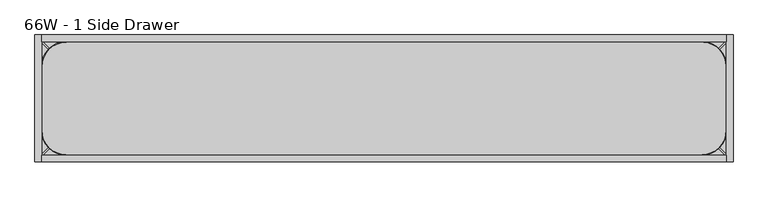
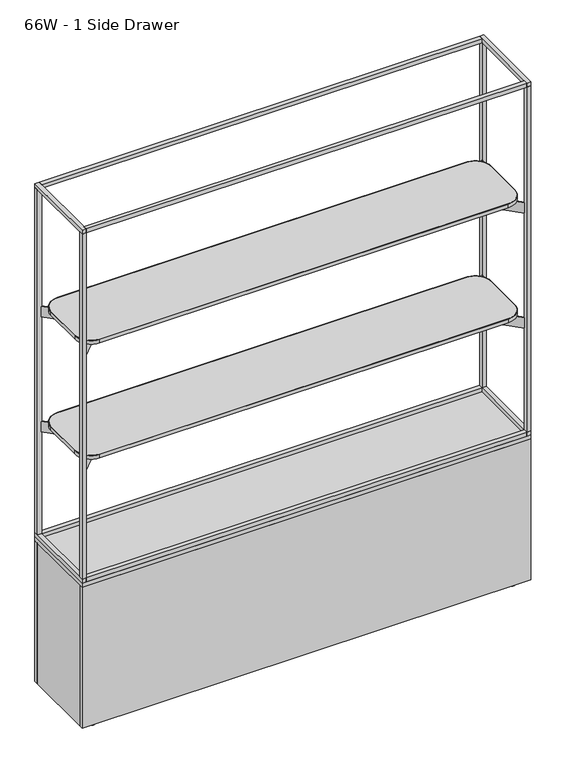
"""IFC4 building model written with IfcOpenShell, lengths in millimetres: furniture geometry, 66W - 1 Side Drawer."""

from ifc_helpers import new_model, si_unit, point, frame, frame_2d, origin, place, context, project, spatial, polyline, circle_curve, trimmed, segment, composite_curve, outline, extrude, source, transform, mapped, element, save
from ifc_brep_helpers import plane_surface, cylinder_surface, revolved_surface, advanced_brep


def furniture_66w_1_side_drawer_2622d0b4(model_context):
    return source(origin(), model_context, "Body", "SolidModel", [
        extrude(outline(composite_curve([segment(polyline([(15.8814378, 75.8242865), (15.8814378, 228.8955507)]), True, "CONTINUOUS"), segment(trimmed(circle_curve(frame_2d((75.9054892, 228.8955507)), 60.0240513), [point((15.8814378, 228.8955507))], [point((75.9054892, 288.9196021))], False, "CARTESIAN"), True, "CONTINUOUS"), segment(polyline([(75.9054892, 288.9196021), (1605.6138969, 288.9196021)]), True, "CONTINUOUS"), segment(trimmed(circle_curve(frame_2d((1600.5745622, 229.1877994)), 59.944), [point((1605.6138969, 288.9196021))], [point((1660.5185622, 229.1877994))], False, "CARTESIAN"), True, "CONTINUOUS"), segment(polyline([(1660.5185622, 229.1877994), (1660.5185622, 75.8242865)]), True, "CONTINUOUS"), segment(trimmed(circle_curve(frame_2d((1600.5745622, 75.8242865)), 59.944), [point((1660.5185622, 75.8242865))], [point((1600.5745622, 15.8802865))], False, "CARTESIAN"), True, "CONTINUOUS"), segment(polyline([(1600.5745622, 15.8802865), (75.8254378, 15.8802865)]), True, "CONTINUOUS"), segment(trimmed(circle_curve(frame_2d((75.8254378, 75.8242865)), 59.944), [point((75.8254378, 15.8802865))], [point((15.8814378, 75.8242865))], False, "CARTESIAN"), True, "CONTINUOUS")], self_intersect=False), holes=[composite_curve([segment(trimmed(circle_curve(frame_2d((1600.6050916, 75.8011918)), 58.42), [point((1600.6050916, 17.3811918))], [point((1659.0250916, 75.8011918))], True, "CARTESIAN"), True, "CONTINUOUS"), segment(polyline([(1659.0250916, 75.8011918), (1659.0250916, 229.1877994)]), True, "CONTINUOUS"), segment(trimmed(circle_curve(frame_2d((1600.6050916, 229.1877994)), 58.42), [point((1659.0250916, 229.1877994))], [point((1605.2701856, 287.4212374))], True, "CARTESIAN"), True, "CONTINUOUS"), segment(polyline([(1605.2701856, 287.4212374), (75.8827762, 287.4212374)]), True, "CONTINUOUS"), segment(trimmed(circle_curve(frame_2d((75.8750567, 228.9211866)), 58.5000513), [point((75.8827762, 287.4212374))], [point((17.3750053, 228.9211866))], True, "CARTESIAN"), True, "CONTINUOUS"), segment(polyline([(17.3750053, 228.9211866), (17.3750053, 75.8011918)]), True, "CONTINUOUS"), segment(trimmed(circle_curve(frame_2d((75.7950053, 75.8011918)), 58.42), [point((17.3750053, 75.8011918))], [point((75.7950053, 17.3811918))], True, "CARTESIAN"), True, "CONTINUOUS"), segment(polyline([(75.7950053, 17.3811918), (1600.6050916, 17.3811918)]), True, "CONTINUOUS")], self_intersect=False)]), frame((0.0, 0.0, 1504.6380035), z_axis=(0.0, 0.0, 1.0), x_axis=(1.0, 0.0, 0.0)), (0.0, 0.0, 1.0), 13.8177612),
        extrude(outline(polyline([(161.9665934, 1498.3383551), (161.9665934, 1496.0244297), (160.8082501, 1494.8660863), (144.4220029, 1494.8660863), (143.317536, 1495.9705532), (143.317536, 1498.3383551), (161.9665934, 1498.3383551)])), frame((185.6954716, 0.0, 0.0), z_axis=(1.0, 0.0, 0.0), x_axis=(0.0, 1.0, 0.0)), (0.0, 0.0, 1.0), 1305.0090567),
        extrude(outline(polyline([(177.0817057, 1504.2068283), (177.0817057, 1500.5035098), (169.3866765, 1496.5826966), (161.9665934, 1494.5944913), (161.9665934, 1498.3383551), (143.317536, 1498.3383551), (143.317536, 1494.5944913), (135.8974528, 1496.5826966), (128.2024237, 1500.5035098), (128.2024237, 1504.2068283), (177.0817057, 1504.2068283)])), frame((185.6954716, 0.0, 0.0), z_axis=(1.0, 0.0, 0.0), x_axis=(0.0, 1.0, 0.0)), (0.0, 0.0, 1.0), 1305.0090567),
        extrude(outline(polyline([(161.9665934, 1044.3133551), (161.9665934, 1041.9994297), (160.8082501, 1040.8410863), (144.4220029, 1040.8410863), (143.317536, 1041.9455532), (143.317536, 1044.3133551), (161.9665934, 1044.3133551)])), frame((185.6954716, 0.0, 0.0), z_axis=(1.0, 0.0, 0.0), x_axis=(0.0, 1.0, 0.0)), (0.0, 0.0, 1.0), 1305.0090567),
        extrude(outline(polyline([(177.0817057, 1050.1818283), (177.0817057, 1046.4785098), (169.3866765, 1042.5576966), (161.9665934, 1040.5694913), (161.9665934, 1044.3133551), (143.317536, 1044.3133551), (143.317536, 1040.5694913), (135.8974528, 1042.5576966), (128.2024237, 1046.4785098), (128.2024237, 1050.1818283), (177.0817057, 1050.1818283)])), frame((185.6954716, 0.0, 0.0), z_axis=(1.0, 0.0, 0.0), x_axis=(0.0, 1.0, 0.0)), (0.0, 0.0, 1.0), 1305.0090567),
        extrude(outline(composite_curve([segment(polyline([(1600.6050916, 17.3811918), (75.7950053, 17.3811918)]), True, "CONTINUOUS"), segment(trimmed(circle_curve(frame_2d((75.7950053, 75.8011918)), 58.42), [point((75.7950053, 17.3811918))], [point((17.3750053, 75.8011918))], False, "CARTESIAN"), True, "CONTINUOUS"), segment(polyline([(17.3750053, 75.8011918), (17.3750053, 228.9211866)]), True, "CONTINUOUS"), segment(trimmed(circle_curve(frame_2d((75.8750567, 228.9211866)), 58.5000513), [point((17.3750053, 228.9211866))], [point((75.8827762, 287.4212374))], False, "CARTESIAN"), True, "CONTINUOUS"), segment(polyline([(75.8827762, 287.4212374), (1605.2701856, 287.4212374)]), True, "CONTINUOUS"), segment(trimmed(circle_curve(frame_2d((1600.6050916, 229.1877994)), 58.42), [point((1605.2701856, 287.4212374))], [point((1659.0250916, 229.1877994))], False, "CARTESIAN"), True, "CONTINUOUS"), segment(polyline([(1659.0250916, 229.1877994), (1659.0250916, 75.8011918)]), True, "CONTINUOUS"), segment(trimmed(circle_curve(frame_2d((1600.6050916, 75.8011918)), 58.42), [point((1659.0250916, 75.8011918))], [point((1600.6050916, 17.3811918))], False, "CARTESIAN"), True, "CONTINUOUS")], self_intersect=False)), frame((0.0, 0.0, 1504.6380035), z_axis=(0.0, 0.0, 1.0), x_axis=(1.0, 0.0, 0.0)), (0.0, 0.0, 1.0), 13.8177612),
        extrude(outline(composite_curve([segment(polyline([(1600.5745622, 15.8802865), (75.8254378, 15.8802865)]), True, "CONTINUOUS"), segment(trimmed(circle_curve(frame_2d((75.8254378, 75.8242865)), 59.944), [point((75.8254378, 15.8802865))], [point((15.8814378, 75.8242865))], False, "CARTESIAN"), True, "CONTINUOUS"), segment(polyline([(15.8814378, 75.8242865), (15.8814378, 228.8955507)]), True, "CONTINUOUS"), segment(trimmed(circle_curve(frame_2d((75.9054892, 228.8955507)), 60.0240513), [point((15.8814378, 228.8955507))], [point((75.9054892, 288.9196021))], False, "CARTESIAN"), True, "CONTINUOUS"), segment(polyline([(75.9054892, 288.9196021), (1605.6138969, 288.9196021)]), True, "CONTINUOUS"), segment(trimmed(circle_curve(frame_2d((1600.5745622, 229.1877994)), 59.944), [point((1605.6138969, 288.9196021))], [point((1660.5185622, 229.1877994))], False, "CARTESIAN"), True, "CONTINUOUS"), segment(polyline([(1660.5185622, 229.1877994), (1660.5185622, 75.8242865)]), True, "CONTINUOUS"), segment(trimmed(circle_curve(frame_2d((1600.5745622, 75.8242865)), 59.944), [point((1660.5185622, 75.8242865))], [point((1600.5745622, 15.8802865))], False, "CARTESIAN"), True, "CONTINUOUS")], self_intersect=False), holes=[composite_curve([segment(polyline([(75.7950053, 17.3811918), (1600.6050916, 17.3811918)]), True, "CONTINUOUS"), segment(trimmed(circle_curve(frame_2d((1600.6050916, 75.8011918)), 58.42), [point((1600.6050916, 17.3811918))], [point((1659.0250916, 75.8011918))], True, "CARTESIAN"), True, "CONTINUOUS"), segment(polyline([(1659.0250916, 75.8011918), (1659.0250916, 229.1877994)]), True, "CONTINUOUS"), segment(trimmed(circle_curve(frame_2d((1600.6050916, 229.1877994)), 58.42), [point((1659.0250916, 229.1877994))], [point((1605.2701856, 287.4212374))], True, "CARTESIAN"), True, "CONTINUOUS"), segment(polyline([(1605.2701856, 287.4212374), (75.8827762, 287.4212374)]), True, "CONTINUOUS"), segment(trimmed(circle_curve(frame_2d((75.8750567, 228.9211866)), 58.5000513), [point((75.8827762, 287.4212374))], [point((17.3750053, 228.9211866))], True, "CARTESIAN"), True, "CONTINUOUS"), segment(polyline([(17.3750053, 228.9211866), (17.3750053, 75.8011918)]), True, "CONTINUOUS"), segment(trimmed(circle_curve(frame_2d((75.7950053, 75.8011918)), 58.42), [point((17.3750053, 75.8011918))], [point((75.7950053, 17.3811918))], True, "CARTESIAN"), True, "CONTINUOUS")], self_intersect=False)]), frame((0.0, 0.0, 1050.6130035), z_axis=(0.0, 0.0, 1.0), x_axis=(1.0, 0.0, 0.0)), (0.0, 0.0, 1.0), 13.8177612),
        extrude(outline(composite_curve([segment(polyline([(1600.6050916, 17.3811918), (75.7950053, 17.3811918)]), True, "CONTINUOUS"), segment(trimmed(circle_curve(frame_2d((75.7950053, 75.8011918)), 58.42), [point((75.7950053, 17.3811918))], [point((17.3750053, 75.8011918))], False, "CARTESIAN"), True, "CONTINUOUS"), segment(polyline([(17.3750053, 75.8011918), (17.3750053, 228.9211866)]), True, "CONTINUOUS"), segment(trimmed(circle_curve(frame_2d((75.8750567, 228.9211866)), 58.5000513), [point((17.3750053, 228.9211866))], [point((75.8827762, 287.4212374))], False, "CARTESIAN"), True, "CONTINUOUS"), segment(polyline([(75.8827762, 287.4212374), (1605.2701856, 287.4212374)]), True, "CONTINUOUS"), segment(trimmed(circle_curve(frame_2d((1600.6050916, 229.1877994)), 58.42), [point((1605.2701856, 287.4212374))], [point((1659.0250916, 229.1877994))], False, "CARTESIAN"), True, "CONTINUOUS"), segment(polyline([(1659.0250916, 229.1877994), (1659.0250916, 75.8011918)]), True, "CONTINUOUS"), segment(trimmed(circle_curve(frame_2d((1600.6050916, 75.8011918)), 58.42), [point((1659.0250916, 75.8011918))], [point((1600.6050916, 17.3811918))], False, "CARTESIAN"), True, "CONTINUOUS")], self_intersect=False)), frame((0.0, 0.0, 1050.6130035), z_axis=(0.0, 0.0, 1.0), x_axis=(1.0, 0.0, 0.0)), (0.0, 0.0, 1.0), 13.8177612),
        extrude(outline(polyline([(185.6954716, 106.6550188), (124.7354716, 106.6550188), (124.7354716, 198.1363516), (185.6954716, 198.1363516), (185.6954716, 106.6550188)])), frame((0.0, 0.0, 1463.1180573), z_axis=(0.0, 0.0, 1.0), x_axis=(1.0, 0.0, 0.0)), (0.0, 0.0, 1.0), 41.5199463),
        extrude(outline(polyline([(1490.7045284, 106.6550188), (1490.7045284, 198.1363516), (1551.6645284, 198.1363516), (1551.6645284, 106.6550188), (1490.7045284, 106.6550188)])), frame((0.0, 0.0, 1463.1180573), z_axis=(0.0, 0.0, 1.0), x_axis=(1.0, 0.0, 0.0)), (0.0, 0.0, 1.0), 41.5199463),
        extrude(outline(polyline([(185.6954716, 106.6550188), (124.7354716, 106.6550188), (124.7354716, 198.1363516), (185.6954716, 198.1363516), (185.6954716, 106.6550188)])), frame((0.0, 0.0, 1009.0930573), z_axis=(0.0, 0.0, 1.0), x_axis=(1.0, 0.0, 0.0)), (0.0, 0.0, 1.0), 41.5199463),
        extrude(outline(polyline([(1551.6645284, 106.6550188), (1490.7045284, 106.6550188), (1490.7045284, 198.1363516), (1551.6645284, 198.1363516), (1551.6645284, 106.6550188)])), frame((0.0, 0.0, 1009.0930573), z_axis=(0.0, 0.0, 1.0), x_axis=(1.0, 0.0, 0.0)), (0.0, 0.0, 1.0), 41.5199463),
        extrude(outline(composite_curve([segment(trimmed(circle_curve(frame_2d((124.7354716, 56.8263835)), 49.8286353), [point((87.3911774, 89.8157239))], [point((124.7354716, 106.6550188))], False, "CARTESIAN"), True, "CONTINUOUS"), segment(polyline([(124.7354716, 106.6550188), (1551.6645284, 106.6550188)]), True, "CONTINUOUS"), segment(trimmed(circle_curve(frame_2d((1551.6645284, 56.8031881)), 49.8518307), [point((1551.6645284, 106.6550188))], [point((1589.0181244, 89.817032))], False, "CARTESIAN"), True, "CONTINUOUS"), segment(polyline([(1589.0181244, 89.817032), (1662.9515597, 15.8836935), (1660.533139, 13.4652728), (1586.6002487, 87.3980663)]), True, "CONTINUOUS"), segment(trimmed(circle_curve(frame_2d((1548.0853714, 48.8831384)), 54.4682976), [point((1586.6002487, 87.3980663))], [point((1551.6645284, 103.2337141))], True, "CARTESIAN"), True, "CONTINUOUS"), segment(polyline([(1551.6645284, 103.2337141), (124.7354716, 103.2337141)]), True, "CONTINUOUS"), segment(trimmed(circle_curve(frame_2d((128.3291811, 48.8768447)), 54.4755358), [point((124.7354716, 103.2337141))], [point((89.809053, 87.3967582))], True, "CARTESIAN"), True, "CONTINUOUS"), segment(polyline([(89.809053, 87.3967582), (15.8765503, 13.4638437), (13.4581417, 15.8822522), (87.3911774, 89.8157239)]), True, "CONTINUOUS")], self_intersect=False)), frame((0.0, 0.0, 1463.1180573), z_axis=(0.0, 0.0, 1.0), x_axis=(1.0, 0.0, 0.0)), (0.0, 0.0, 1.0), 41.5199463),
        extrude(outline(composite_curve([segment(polyline([(1551.6645284, 198.1363516), (124.7354716, 198.1363516)]), True, "CONTINUOUS"), segment(trimmed(circle_curve(frame_2d((124.7354716, 247.9483006)), 49.8119491), [point((124.7354716, 198.1363516))], [point((87.390596, 214.9848279))], False, "CARTESIAN"), True, "CONTINUOUS"), segment(polyline([(87.390596, 214.9848279), (13.4637131, 288.9118562), (15.8821217, 291.3302648), (89.8084717, 217.4038179)]), True, "CONTINUOUS"), segment(trimmed(circle_curve(frame_2d((128.3250754, 255.9203711)), 54.4706676), [point((89.8084717, 217.4038179))], [point((124.7354716, 201.5681092))], True, "CARTESIAN"), True, "CONTINUOUS"), segment(polyline([(124.7354716, 201.5681092), (1551.6645284, 201.5681092)]), True, "CONTINUOUS"), segment(trimmed(circle_curve(frame_2d((1551.6645284, 248.0197355)), 46.4516263), [point((1551.6645284, 201.5681092))], [point((1586.6001518, 217.4051017))], True, "CARTESIAN"), True, "CONTINUOUS"), segment(polyline([(1586.6001518, 217.4051017), (1660.526405, 291.3316455), (1662.9448135, 288.9132369), (1589.0180275, 214.986136)]), True, "CONTINUOUS"), segment(trimmed(circle_curve(frame_2d((1548.0695146, 255.9344745)), 57.909819), [point((1589.0180275, 214.986136))], [point((1551.6645284, 198.1363516))], False, "CARTESIAN"), True, "CONTINUOUS")], self_intersect=False)), frame((0.0, 0.0, 1463.1180573), z_axis=(0.0, 0.0, 1.0), x_axis=(1.0, 0.0, 0.0)), (0.0, 0.0, 1.0), 41.5199463),
        extrude(outline(composite_curve([segment(trimmed(circle_curve(frame_2d((124.7354716, 56.8263835)), 49.8286353), [point((87.3911774, 89.8157239))], [point((124.7354716, 106.6550188))], False, "CARTESIAN"), True, "CONTINUOUS"), segment(polyline([(124.7354716, 106.6550188), (1551.6645284, 106.6550188)]), True, "CONTINUOUS"), segment(trimmed(circle_curve(frame_2d((1551.6645284, 56.8031881)), 49.8518307), [point((1551.6645284, 106.6550188))], [point((1589.0181244, 89.817032))], False, "CARTESIAN"), True, "CONTINUOUS"), segment(polyline([(1589.0181244, 89.817032), (1662.9515597, 15.8836935), (1660.533139, 13.4652728), (1586.6002487, 87.3980663)]), True, "CONTINUOUS"), segment(trimmed(circle_curve(frame_2d((1548.0853714, 48.8831384)), 54.4682976), [point((1586.6002487, 87.3980663))], [point((1551.6645284, 103.2337141))], True, "CARTESIAN"), True, "CONTINUOUS"), segment(polyline([(1551.6645284, 103.2337141), (124.7354716, 103.2337141)]), True, "CONTINUOUS"), segment(trimmed(circle_curve(frame_2d((128.3291811, 48.8768447)), 54.4755358), [point((124.7354716, 103.2337141))], [point((89.809053, 87.3967582))], True, "CARTESIAN"), True, "CONTINUOUS"), segment(polyline([(89.809053, 87.3967582), (15.8765503, 13.4638437), (13.4581417, 15.8822522), (87.3911774, 89.8157239)]), True, "CONTINUOUS")], self_intersect=False)), frame((0.0, 0.0, 1009.0930573), z_axis=(0.0, 0.0, 1.0), x_axis=(1.0, 0.0, 0.0)), (0.0, 0.0, 1.0), 41.5199463),
        extrude(outline(composite_curve([segment(polyline([(1551.6645284, 198.1363516), (124.7354716, 198.1363516)]), True, "CONTINUOUS"), segment(trimmed(circle_curve(frame_2d((124.7354716, 247.9483006)), 49.8119491), [point((124.7354716, 198.1363516))], [point((87.390596, 214.9848279))], False, "CARTESIAN"), True, "CONTINUOUS"), segment(polyline([(87.390596, 214.9848279), (13.4637131, 288.9118562), (15.8821217, 291.3302648), (89.8084717, 217.4038179)]), True, "CONTINUOUS"), segment(trimmed(circle_curve(frame_2d((128.3250754, 255.9203711)), 54.4706676), [point((89.8084717, 217.4038179))], [point((124.7354716, 201.5681092))], True, "CARTESIAN"), True, "CONTINUOUS"), segment(polyline([(124.7354716, 201.5681092), (1551.6645284, 201.5681092)]), True, "CONTINUOUS"), segment(trimmed(circle_curve(frame_2d((1551.6645284, 248.0197355)), 46.4516263), [point((1551.6645284, 201.5681092))], [point((1586.6001518, 217.4051017))], True, "CARTESIAN"), True, "CONTINUOUS"), segment(polyline([(1586.6001518, 217.4051017), (1660.526405, 291.3316455), (1662.9448135, 288.9132369), (1589.0180275, 214.986136)]), True, "CONTINUOUS"), segment(trimmed(circle_curve(frame_2d((1548.0695146, 255.9344745)), 57.909819), [point((1589.0180275, 214.986136))], [point((1551.6645284, 198.1363516))], False, "CARTESIAN"), True, "CONTINUOUS")], self_intersect=False)), frame((0.0, 0.0, 1009.0930573), z_axis=(0.0, 0.0, 1.0), x_axis=(1.0, 0.0, 0.0)), (0.0, 0.0, 1.0), 41.5199463),
        extrude(outline(polyline([(1660.5185622, 0.0), (15.8814378, 0.0), (15.8814378, 15.8802865), (1660.5185622, 15.8802865), (1660.5185622, 0.0)])), frame((0.0, 0.0, 1969.4305479), z_axis=(0.0, 0.0, 1.0), x_axis=(1.0, 0.0, 0.0)), (0.0, 0.0, 1.0), 15.3798752),
        extrude(outline(polyline([(1660.5185622, 288.9196021), (15.8814378, 288.9196021), (15.8814378, 304.8), (1660.5185622, 304.8), (1660.5185622, 288.9196021)])), frame((0.0, 0.0, 1969.4305479), z_axis=(0.0, 0.0, 1.0), x_axis=(1.0, 0.0, 0.0)), (0.0, 0.0, 1.0), 15.3798752),
        extrude(outline(polyline([(1660.5185622, 0.0), (15.8814378, 0.0), (15.8814378, 15.8802865), (1660.5185622, 15.8802865), (1660.5185622, 0.0)])), frame((0.0, 0.0, 591.366423), z_axis=(0.0, 0.0, 1.0), x_axis=(1.0, 0.0, 0.0)), (0.0, 0.0, 1.0), 15.8800385),
        extrude(outline(polyline([(1660.5185622, 288.9196021), (15.8814378, 288.9196021), (15.8814378, 304.8), (1660.5185622, 304.8), (1660.5185622, 288.9196021)])), frame((0.0, 0.0, 591.366423), z_axis=(0.0, 0.0, 1.0), x_axis=(1.0, 0.0, 0.0)), (0.0, 0.0, 1.0), 15.8800385),
        extrude(outline(polyline([(15.8814378, 0.0), (0.0, 0.0), (0.0, 15.8802865), (15.8814378, 15.8802865), (15.8814378, 0.0)])), frame((0.0, 0.0, 607.2464615), z_axis=(0.0, 0.0, 1.0), x_axis=(1.0, 0.0, 0.0)), (0.0, 0.0, 1.0), 1362.1840864),
        extrude(outline(polyline([(15.8814378, 304.8), (15.8814378, 288.9196021), (0.0, 288.9196021), (0.0, 304.8), (15.8814378, 304.8)])), frame((0.0, 0.0, 607.2464615), z_axis=(0.0, 0.0, 1.0), x_axis=(1.0, 0.0, 0.0)), (0.0, 0.0, 1.0), 1362.1840864),
        extrude(outline(polyline([(1660.5185622, 304.8), (1676.4, 304.8), (1676.4, 288.9196021), (1660.5185622, 288.9196021), (1660.5185622, 304.8)])), frame((0.0, 0.0, 607.2464615), z_axis=(0.0, 0.0, 1.0), x_axis=(1.0, 0.0, 0.0)), (0.0, 0.0, 1.0), 1362.1840864),
        extrude(outline(polyline([(1676.4, 0.0), (1660.5185622, 0.0), (1660.5185622, 15.8802865), (1676.4, 15.8802865), (1676.4, 0.0)])), frame((0.0, 0.0, 607.2464615), z_axis=(0.0, 0.0, 1.0), x_axis=(1.0, 0.0, 0.0)), (0.0, 0.0, 1.0), 1362.1840864),
        extrude(outline(polyline([(15.8814378, 0.0), (0.0, 0.0), (0.0, 304.8), (15.8814378, 304.8), (15.8814378, 0.0)])), frame((0.0, 0.0, 1969.4305479), z_axis=(0.0, 0.0, 1.0), x_axis=(1.0, 0.0, 0.0)), (0.0, 0.0, 1.0), 15.3798752),
        extrude(outline(polyline([(1676.4, 0.0), (1660.5185622, 0.0), (1660.5185622, 304.8), (1676.4, 304.8), (1676.4, 0.0)])), frame((0.0, 0.0, 1969.4305479), z_axis=(0.0, 0.0, 1.0), x_axis=(1.0, 0.0, 0.0)), (0.0, 0.0, 1.0), 15.3798752),
        extrude(outline(polyline([(15.8814378, 0.0), (0.0, 0.0), (0.0, 304.8), (15.8814378, 304.8), (15.8814378, 0.0)])), frame((0.0, 0.0, 591.366423), z_axis=(0.0, 0.0, 1.0), x_axis=(1.0, 0.0, 0.0)), (0.0, 0.0, 1.0), 15.8800385),
        extrude(outline(polyline([(1676.4, 0.0), (1660.5185622, 0.0), (1660.5185622, 304.8), (1676.4, 304.8), (1676.4, 0.0)])), frame((0.0, 0.0, 591.366423), z_axis=(0.0, 0.0, 1.0), x_axis=(1.0, 0.0, 0.0)), (0.0, 0.0, 1.0), 15.8800385),
        extrude(outline(polyline([(457.1219305, 304.8), (457.1219305, 288.9196021), (0.9983887, 288.9196021), (0.9983887, 304.8), (457.1219305, 304.8)])), frame((0.0, 0.0, 19.3136951), z_axis=(0.0, 0.0, 1.0), x_axis=(1.0, 0.0, 0.0)), (0.0, 0.0, 1.0), 553.7825737),
        extrude(outline(polyline([(1674.264632, 304.8), (1674.264632, 288.9196021), (457.2835412, 288.9196021), (457.2835412, 304.8), (1674.264632, 304.8)])), frame((0.0, 0.0, 19.3136951), z_axis=(0.0, 0.0, 1.0), x_axis=(1.0, 0.0, 0.0)), (0.0, 0.0, 1.0), 553.7825737),
        advanced_brep(
        [(1609.2272617, 271.5259334, 0.0), (1621.938208, 271.5259334, 0.0), (1634.6491543, 271.5259334, 0.0), (1621.938208, 271.5259334, 19.3136951), (1617.9636626, 271.5259334, 19.3136951), (1625.9127534, 271.5259334, 19.3136951), (1617.9636626, 271.5259334, 17.5685649), (1625.9127534, 271.5259334, 17.5685649), (1616.4646125, 271.5259334, 14.972134), (1627.4118035, 271.5259334, 14.972134), (1613.9406856, 271.5259334, 14.0032892), (1629.9357304, 271.5259334, 14.0032892), (1613.9406856, 271.5259334, 10.3232424), (1629.9357304, 271.5259334, 10.3232424), (1614.8799262, 271.5259334, 10.3232424), (1628.9964898, 271.5259334, 10.3232424), (1614.8799262, 271.5259334, 8.9619405), (1628.9964898, 271.5259334, 8.9619405), (1606.8761967, 271.5259334, 3.3576688), (1637.0002193, 271.5259334, 3.3576688)],
        [
            (0, 1),
            (1, 2),
            (2, 0, circle_curve(frame((1621.938208, 271.5259334, 0.0), z_axis=(0.0, 0.0, -1.0), x_axis=(1.0, 0.0, 0.0)), 12.7109463)),
            (0, 2, circle_curve(frame((1621.938208, 271.5259334, 0.0), z_axis=(0.0, 0.0, -1.0), x_axis=(1.0, 0.0, 0.0)), 12.7109463)),
            (3, 4),
            (4, 5, circle_curve(frame((1621.938208, 271.5259334, 19.3136951), z_axis=(0.0, 0.0, 1.0), x_axis=(1.0, 0.0, 0.0)), 3.9745454)),
            (5, 3),
            (5, 4, circle_curve(frame((1621.938208, 271.5259334, 19.3136951), z_axis=(0.0, 0.0, 1.0), x_axis=(1.0, 0.0, 0.0)), 3.9745454)),
            (4, 6),
            (6, 7, circle_curve(frame((1621.938208, 271.5259334, 17.5685649), z_axis=(0.0, 0.0, 1.0), x_axis=(1.0, 0.0, 0.0)), 3.9745454)),
            (7, 5),
            (7, 6, circle_curve(frame((1621.938208, 271.5259334, 17.5685649), z_axis=(0.0, 0.0, 1.0), x_axis=(1.0, 0.0, 0.0)), 3.9745454)),
            (6, 8),
            (8, 9, circle_curve(frame((1621.938208, 271.5259334, 14.972134), z_axis=(0.0, 0.0, 1.0), x_axis=(1.0, 0.0, 0.0)), 5.4735955)),
            (9, 7),
            (9, 8, circle_curve(frame((1621.938208, 271.5259334, 14.972134), z_axis=(0.0, 0.0, 1.0), x_axis=(1.0, 0.0, 0.0)), 5.4735955)),
            (8, 10),
            (10, 11, circle_curve(frame((1621.938208, 271.5259334, 14.0032892), z_axis=(0.0, 0.0, 1.0), x_axis=(1.0, 0.0, 0.0)), 7.9975224)),
            (11, 9),
            (11, 10, circle_curve(frame((1621.938208, 271.5259334, 14.0032892), z_axis=(0.0, 0.0, 1.0), x_axis=(1.0, 0.0, 0.0)), 7.9975224)),
            (10, 12),
            (12, 13, circle_curve(frame((1621.938208, 271.5259334, 10.3232424), z_axis=(0.0, 0.0, 1.0), x_axis=(1.0, 0.0, 0.0)), 7.9975224)),
            (13, 11),
            (13, 12, circle_curve(frame((1621.938208, 271.5259334, 10.3232424), z_axis=(0.0, 0.0, 1.0), x_axis=(1.0, 0.0, 0.0)), 7.9975224)),
            (12, 14),
            (14, 15, circle_curve(frame((1621.938208, 271.5259334, 10.3232424), z_axis=(0.0, 0.0, 1.0), x_axis=(1.0, 0.0, 0.0)), 7.0582818)),
            (15, 13),
            (15, 14, circle_curve(frame((1621.938208, 271.5259334, 10.3232424), z_axis=(0.0, 0.0, 1.0), x_axis=(1.0, 0.0, 0.0)), 7.0582818)),
            (14, 16),
            (16, 17, circle_curve(frame((1621.938208, 271.5259334, 8.9619405), z_axis=(0.0, 0.0, 1.0), x_axis=(1.0, 0.0, 0.0)), 7.0582818)),
            (17, 15),
            (17, 16, circle_curve(frame((1621.938208, 271.5259334, 8.9619405), z_axis=(0.0, 0.0, 1.0), x_axis=(1.0, 0.0, 0.0)), 7.0582818)),
            (16, 18),
            (18, 19, circle_curve(frame((1621.938208, 271.5259334, 3.3576688), z_axis=(0.0, 0.0, 1.0), x_axis=(1.0, 0.0, 0.0)), 15.0620113)),
            (19, 17),
            (19, 18, circle_curve(frame((1621.938208, 271.5259334, 3.3576688), z_axis=(0.0, 0.0, 1.0), x_axis=(1.0, 0.0, 0.0)), 15.0620113)),
            (18, 0),
            (2, 19),
        ],
        [
            plane_surface(frame((1621.938208, 271.5259334, 0.0), z_axis=(0.0, 0.0, -1.0), x_axis=(1.0, 0.0, 0.0))),
            plane_surface(frame((1621.938208, 271.5259334, 19.3136951), z_axis=(0.0, 0.0, 1.0), x_axis=(1.0, 0.0, 0.0))),
            cylinder_surface(frame((1621.938208, 271.5259334, -304.8), z_axis=(0.0, 0.0, 1.0), x_axis=(1.0, 0.0, 0.0)), 3.9745454),
            revolved_surface(polyline([(1627.4118035, 271.5259334, 14.972134), (1625.9127534, 271.5259334, 17.5685649)]), (1621.938208, 271.5259334, -304.8), (0.0, 0.0, 1.0)),
            revolved_surface(polyline([(1629.9357304, 271.5259334, 14.0032892), (1627.4118035, 271.5259334, 14.972134)]), (1621.938208, 271.5259334, -304.8), (0.0, 0.0, 1.0)),
            cylinder_surface(frame((1621.938208, 271.5259334, -304.8), z_axis=(0.0, 0.0, 1.0), x_axis=(1.0, 0.0, 0.0)), 7.9975224),
            plane_surface(frame((1621.938208, 271.5259334, 10.3232424), z_axis=(0.0, 0.0, -1.0), x_axis=(1.0, 0.0, 0.0))),
            cylinder_surface(frame((1621.938208, 271.5259334, -304.8), z_axis=(0.0, 0.0, 1.0), x_axis=(1.0, 0.0, 0.0)), 7.0582818),
            revolved_surface(polyline([(1637.0002193, 271.5259334, 3.3576688), (1628.9964898, 271.5259334, 8.9619405)]), (1621.938208, 271.5259334, -304.8), (0.0, 0.0, 1.0)),
            revolved_surface(polyline([(1634.6491543, 271.5259334, 0.0), (1637.0002193, 271.5259334, 3.3576688)]), (1621.938208, 271.5259334, -304.8), (0.0, 0.0, 1.0)),
        ],
        [
            (0, [[1, 2, 3]]),
            (0, [[-2, -1, 4]]),
            (1, [[5, 6, 7]]),
            (1, [[-7, 8, -5]]),
            (2, [[9, 10, 11, -6]]),
            (2, [[-11, 12, -9, -8]]),
            (3, [[13, 14, 15, -10]]),
            (3, [[-15, 16, -13, -12]]),
            (4, [[17, 18, 19, -14]]),
            (4, [[-19, 20, -17, -16]]),
            (5, [[21, 22, 23, -18]]),
            (5, [[-23, 24, -21, -20]]),
            (6, [[25, 26, 27, -22]]),
            (6, [[-27, 28, -25, -24]]),
            (7, [[29, 30, 31, -26]]),
            (7, [[-31, 32, -29, -28]]),
            (8, [[33, 34, 35, -30]]),
            (8, [[-35, 36, -33, -32]]),
            (9, [[37, -3, 38, -34]]),
            (9, [[-38, -4, -37, -36]]),
        ],
    ),
        advanced_brep(
        [(1609.2272617, 33.2572239, 0.0), (1621.938208, 33.2572239, 0.0), (1634.6491543, 33.2572239, 0.0), (1621.938208, 33.2572239, 19.3136951), (1617.9636626, 33.2572239, 19.3136951), (1625.9127534, 33.2572239, 19.3136951), (1617.9636626, 33.2572239, 17.5685649), (1625.9127534, 33.2572239, 17.5685649), (1616.4646125, 33.2572239, 14.972134), (1627.4118035, 33.2572239, 14.972134), (1613.9406856, 33.2572239, 14.0032892), (1629.9357304, 33.2572239, 14.0032892), (1613.9406856, 33.2572239, 10.3232424), (1629.9357304, 33.2572239, 10.3232424), (1614.8799262, 33.2572239, 10.3232424), (1628.9964898, 33.2572239, 10.3232424), (1614.8799262, 33.2572239, 8.9619405), (1628.9964898, 33.2572239, 8.9619405), (1606.8761967, 33.2572239, 3.3576688), (1637.0002193, 33.2572239, 3.3576688)],
        [
            (0, 1),
            (1, 2),
            (2, 0, circle_curve(frame((1621.938208, 33.2572239, 0.0), z_axis=(0.0, 0.0, -1.0), x_axis=(1.0, 0.0, 0.0)), 12.7109463)),
            (0, 2, circle_curve(frame((1621.938208, 33.2572239, 0.0), z_axis=(0.0, 0.0, -1.0), x_axis=(1.0, 0.0, 0.0)), 12.7109463)),
            (3, 4),
            (4, 5, circle_curve(frame((1621.938208, 33.2572239, 19.3136951), z_axis=(0.0, 0.0, 1.0), x_axis=(1.0, 0.0, 0.0)), 3.9745454)),
            (5, 3),
            (5, 4, circle_curve(frame((1621.938208, 33.2572239, 19.3136951), z_axis=(0.0, 0.0, 1.0), x_axis=(1.0, 0.0, 0.0)), 3.9745454)),
            (4, 6),
            (6, 7, circle_curve(frame((1621.938208, 33.2572239, 17.5685649), z_axis=(0.0, 0.0, 1.0), x_axis=(1.0, 0.0, 0.0)), 3.9745454)),
            (7, 5),
            (7, 6, circle_curve(frame((1621.938208, 33.2572239, 17.5685649), z_axis=(0.0, 0.0, 1.0), x_axis=(1.0, 0.0, 0.0)), 3.9745454)),
            (6, 8),
            (8, 9, circle_curve(frame((1621.938208, 33.2572239, 14.972134), z_axis=(0.0, 0.0, 1.0), x_axis=(1.0, 0.0, 0.0)), 5.4735955)),
            (9, 7),
            (9, 8, circle_curve(frame((1621.938208, 33.2572239, 14.972134), z_axis=(0.0, 0.0, 1.0), x_axis=(1.0, 0.0, 0.0)), 5.4735955)),
            (8, 10),
            (10, 11, circle_curve(frame((1621.938208, 33.2572239, 14.0032892), z_axis=(0.0, 0.0, 1.0), x_axis=(1.0, 0.0, 0.0)), 7.9975224)),
            (11, 9),
            (11, 10, circle_curve(frame((1621.938208, 33.2572239, 14.0032892), z_axis=(0.0, 0.0, 1.0), x_axis=(1.0, 0.0, 0.0)), 7.9975224)),
            (10, 12),
            (12, 13, circle_curve(frame((1621.938208, 33.2572239, 10.3232424), z_axis=(0.0, 0.0, 1.0), x_axis=(1.0, 0.0, 0.0)), 7.9975224)),
            (13, 11),
            (13, 12, circle_curve(frame((1621.938208, 33.2572239, 10.3232424), z_axis=(0.0, 0.0, 1.0), x_axis=(1.0, 0.0, 0.0)), 7.9975224)),
            (12, 14),
            (14, 15, circle_curve(frame((1621.938208, 33.2572239, 10.3232424), z_axis=(0.0, 0.0, 1.0), x_axis=(1.0, 0.0, 0.0)), 7.0582818)),
            (15, 13),
            (15, 14, circle_curve(frame((1621.938208, 33.2572239, 10.3232424), z_axis=(0.0, 0.0, 1.0), x_axis=(1.0, 0.0, 0.0)), 7.0582818)),
            (14, 16),
            (16, 17, circle_curve(frame((1621.938208, 33.2572239, 8.9619405), z_axis=(0.0, 0.0, 1.0), x_axis=(1.0, 0.0, 0.0)), 7.0582818)),
            (17, 15),
            (17, 16, circle_curve(frame((1621.938208, 33.2572239, 8.9619405), z_axis=(0.0, 0.0, 1.0), x_axis=(1.0, 0.0, 0.0)), 7.0582818)),
            (16, 18),
            (18, 19, circle_curve(frame((1621.938208, 33.2572239, 3.3576688), z_axis=(0.0, 0.0, 1.0), x_axis=(1.0, 0.0, 0.0)), 15.0620113)),
            (19, 17),
            (19, 18, circle_curve(frame((1621.938208, 33.2572239, 3.3576688), z_axis=(0.0, 0.0, 1.0), x_axis=(1.0, 0.0, 0.0)), 15.0620113)),
            (18, 0),
            (2, 19),
        ],
        [
            plane_surface(frame((1621.938208, 33.2572239, 0.0), z_axis=(0.0, 0.0, -1.0), x_axis=(1.0, 0.0, 0.0))),
            plane_surface(frame((1621.938208, 33.2572239, 19.3136951), z_axis=(0.0, 0.0, 1.0), x_axis=(1.0, 0.0, 0.0))),
            cylinder_surface(frame((1621.938208, 33.2572239, -304.8), z_axis=(0.0, 0.0, 1.0), x_axis=(1.0, 0.0, 0.0)), 3.9745454),
            revolved_surface(polyline([(1627.4118035, 33.2572239, 14.972134), (1625.9127534, 33.2572239, 17.5685649)]), (1621.938208, 33.2572239, -304.8), (0.0, 0.0, 1.0)),
            revolved_surface(polyline([(1629.9357304, 33.2572239, 14.0032892), (1627.4118035, 33.2572239, 14.972134)]), (1621.938208, 33.2572239, -304.8), (0.0, 0.0, 1.0)),
            cylinder_surface(frame((1621.938208, 33.2572239, -304.8), z_axis=(0.0, 0.0, 1.0), x_axis=(1.0, 0.0, 0.0)), 7.9975224),
            plane_surface(frame((1621.938208, 33.2572239, 10.3232424), z_axis=(0.0, 0.0, -1.0), x_axis=(1.0, 0.0, 0.0))),
            cylinder_surface(frame((1621.938208, 33.2572239, -304.8), z_axis=(0.0, 0.0, 1.0), x_axis=(1.0, 0.0, 0.0)), 7.0582818),
            revolved_surface(polyline([(1637.0002193, 33.2572239, 3.3576688), (1628.9964898, 33.2572239, 8.9619405)]), (1621.938208, 33.2572239, -304.8), (0.0, 0.0, 1.0)),
            revolved_surface(polyline([(1634.6491543, 33.2572239, 0.0), (1637.0002193, 33.2572239, 3.3576688)]), (1621.938208, 33.2572239, -304.8), (0.0, 0.0, 1.0)),
        ],
        [
            (0, [[1, 2, 3]]),
            (0, [[-2, -1, 4]]),
            (1, [[5, 6, 7]]),
            (1, [[-7, 8, -5]]),
            (2, [[9, 10, 11, -6]]),
            (2, [[-11, 12, -9, -8]]),
            (3, [[13, 14, 15, -10]]),
            (3, [[-15, 16, -13, -12]]),
            (4, [[17, 18, 19, -14]]),
            (4, [[-19, 20, -17, -16]]),
            (5, [[21, 22, 23, -18]]),
            (5, [[-23, 24, -21, -20]]),
            (6, [[25, 26, 27, -22]]),
            (6, [[-27, 28, -25, -24]]),
            (7, [[29, 30, 31, -26]]),
            (7, [[-31, 32, -29, -28]]),
            (8, [[33, 34, 35, -30]]),
            (8, [[-35, 36, -33, -32]]),
            (9, [[37, -3, 38, -34]]),
            (9, [[-38, -4, -37, -36]]),
        ],
    ),
        advanced_brep(
        [(67.1725886, 272.2343697, 0.0), (54.4616423, 272.2343548, 0.0), (41.7506961, 272.23434, 0.0), (54.4616423, 272.2343548, 19.3136951), (58.4361878, 272.2343595, 19.3136951), (50.4870969, 272.2343502, 19.3136951), (58.4361878, 272.2343595, 17.5685649), (50.4870969, 272.2343502, 17.5685649), (59.9352379, 272.2343612, 14.972134), (48.9880468, 272.2343485, 14.972134), (62.4591647, 272.2343642, 14.0032892), (46.46412, 272.2343455, 14.0032892), (62.4591647, 272.2343642, 10.3232424), (46.46412, 272.2343455, 10.3232424), (61.5199241, 272.2343631, 10.3232424), (47.4033606, 272.2343466, 10.3232424), (61.5199241, 272.2343631, 8.9619405), (47.4033606, 272.2343466, 8.9619405), (69.5236536, 272.2343724, 3.3576688), (39.3996311, 272.2343373, 3.3576688)],
        [
            (0, 1),
            (1, 2),
            (2, 0, circle_curve(frame((54.4616423, 272.2343548, 0.0), z_axis=(0.0, 0.0, -1.0), x_axis=(-0.999999999999319, -1.1670755062646865e-06, 0.0)), 12.7109463)),
            (0, 2, circle_curve(frame((54.4616423, 272.2343548, 0.0), z_axis=(0.0, 0.0, -1.0), x_axis=(-0.999999999999319, -1.1670755062646865e-06, 0.0)), 12.7109463)),
            (3, 4),
            (4, 5, circle_curve(frame((54.4616423, 272.2343548, 19.3136951), z_axis=(0.0, 0.0, 1.0), x_axis=(-0.999999999999319, -1.1670755062646865e-06, 0.0)), 3.9745454)),
            (5, 3),
            (5, 4, circle_curve(frame((54.4616423, 272.2343548, 19.3136951), z_axis=(0.0, 0.0, 1.0), x_axis=(-0.999999999999319, -1.1670755062646865e-06, 0.0)), 3.9745454)),
            (4, 6),
            (6, 7, circle_curve(frame((54.4616423, 272.2343548, 17.5685649), z_axis=(0.0, 0.0, 1.0), x_axis=(-0.999999999999319, -1.1670755062646865e-06, 0.0)), 3.9745454)),
            (7, 5),
            (7, 6, circle_curve(frame((54.4616423, 272.2343548, 17.5685649), z_axis=(0.0, 0.0, 1.0), x_axis=(-0.999999999999319, -1.1670755062646865e-06, 0.0)), 3.9745454)),
            (6, 8),
            (8, 9, circle_curve(frame((54.4616423, 272.2343548, 14.972134), z_axis=(0.0, 0.0, 1.0), x_axis=(-0.999999999999319, -1.1670755062646865e-06, 0.0)), 5.4735955)),
            (9, 7),
            (9, 8, circle_curve(frame((54.4616423, 272.2343548, 14.972134), z_axis=(0.0, 0.0, 1.0), x_axis=(-0.999999999999319, -1.1670755062646865e-06, 0.0)), 5.4735955)),
            (8, 10),
            (10, 11, circle_curve(frame((54.4616423, 272.2343548, 14.0032892), z_axis=(0.0, 0.0, 1.0), x_axis=(-0.999999999999319, -1.1670755062646865e-06, 0.0)), 7.9975224)),
            (11, 9),
            (11, 10, circle_curve(frame((54.4616423, 272.2343548, 14.0032892), z_axis=(0.0, 0.0, 1.0), x_axis=(-0.999999999999319, -1.1670755062646865e-06, 0.0)), 7.9975224)),
            (10, 12),
            (12, 13, circle_curve(frame((54.4616423, 272.2343548, 10.3232424), z_axis=(0.0, 0.0, 1.0), x_axis=(-0.999999999999319, -1.1670755062646865e-06, 0.0)), 7.9975224)),
            (13, 11),
            (13, 12, circle_curve(frame((54.4616423, 272.2343548, 10.3232424), z_axis=(0.0, 0.0, 1.0), x_axis=(-0.999999999999319, -1.1670755062646865e-06, 0.0)), 7.9975224)),
            (12, 14),
            (14, 15, circle_curve(frame((54.4616423, 272.2343548, 10.3232424), z_axis=(0.0, 0.0, 1.0), x_axis=(-0.999999999999319, -1.1670755062646865e-06, 0.0)), 7.0582818)),
            (15, 13),
            (15, 14, circle_curve(frame((54.4616423, 272.2343548, 10.3232424), z_axis=(0.0, 0.0, 1.0), x_axis=(-0.999999999999319, -1.1670755062646865e-06, 0.0)), 7.0582818)),
            (14, 16),
            (16, 17, circle_curve(frame((54.4616423, 272.2343548, 8.9619405), z_axis=(0.0, 0.0, 1.0), x_axis=(-0.999999999999319, -1.1670755062646865e-06, 0.0)), 7.0582818)),
            (17, 15),
            (17, 16, circle_curve(frame((54.4616423, 272.2343548, 8.9619405), z_axis=(0.0, 0.0, 1.0), x_axis=(-0.999999999999319, -1.1670755062646865e-06, 0.0)), 7.0582818)),
            (16, 18),
            (18, 19, circle_curve(frame((54.4616423, 272.2343548, 3.3576688), z_axis=(0.0, 0.0, 1.0), x_axis=(-0.999999999999319, -1.1670755062646865e-06, 0.0)), 15.0620113)),
            (19, 17),
            (19, 18, circle_curve(frame((54.4616423, 272.2343548, 3.3576688), z_axis=(0.0, 0.0, 1.0), x_axis=(-0.999999999999319, -1.1670755062646865e-06, 0.0)), 15.0620113)),
            (18, 0),
            (2, 19),
        ],
        [
            plane_surface(frame((54.4616423, 272.2343548, 0.0), z_axis=(0.0, 0.0, -1.0), x_axis=(-0.999999999999319, -1.1670755062646865e-06, 0.0))),
            plane_surface(frame((54.4616423, 272.2343548, 19.3136951), z_axis=(0.0, 0.0, 1.0), x_axis=(-0.999999999999319, -1.1670755062646865e-06, 0.0))),
            cylinder_surface(frame((54.4616423, 272.2343548, -304.8), z_axis=(0.0, 0.0, 1.0), x_axis=(-0.999999999999319, -1.1670755062646865e-06, 0.0)), 3.9745454),
            revolved_surface(polyline([(48.9880468, 272.2343485, 14.972134), (50.4870969, 272.2343502, 17.5685649)]), (54.4616423, 272.2343548, -304.8), (0.0, 0.0, 1.0)),
            revolved_surface(polyline([(46.46412, 272.2343455, 14.0032892), (48.9880468, 272.2343485, 14.972134)]), (54.4616423, 272.2343548, -304.8), (0.0, 0.0, 1.0)),
            cylinder_surface(frame((54.4616423, 272.2343548, -304.8), z_axis=(0.0, 0.0, 1.0), x_axis=(-0.999999999999319, -1.1670755062646865e-06, 0.0)), 7.9975224),
            plane_surface(frame((54.4616423, 272.2343548, 10.3232424), z_axis=(0.0, 0.0, -1.0), x_axis=(-0.999999999999319, -1.1670755062646865e-06, 0.0))),
            cylinder_surface(frame((54.4616423, 272.2343548, -304.8), z_axis=(0.0, 0.0, 1.0), x_axis=(-0.999999999999319, -1.1670755062646865e-06, 0.0)), 7.0582818),
            revolved_surface(polyline([(39.3996311, 272.2343373, 3.3576688), (47.4033606, 272.2343466, 8.9619405)]), (54.4616423, 272.2343548, -304.8), (0.0, 0.0, 1.0)),
            revolved_surface(polyline([(41.7506961, 272.23434, 0.0), (39.3996311, 272.2343373, 3.3576688)]), (54.4616423, 272.2343548, -304.8), (0.0, 0.0, 1.0)),
        ],
        [
            (0, [[1, 2, 3]]),
            (0, [[-2, -1, 4]]),
            (1, [[5, 6, 7]]),
            (1, [[-7, 8, -5]]),
            (2, [[9, 10, 11, -6]]),
            (2, [[-11, 12, -9, -8]]),
            (3, [[13, 14, 15, -10]]),
            (3, [[-15, 16, -13, -12]]),
            (4, [[17, 18, 19, -14]]),
            (4, [[-19, 20, -17, -16]]),
            (5, [[21, 22, 23, -18]]),
            (5, [[-23, 24, -21, -20]]),
            (6, [[25, 26, 27, -22]]),
            (6, [[-27, 28, -25, -24]]),
            (7, [[29, 30, 31, -26]]),
            (7, [[-31, 32, -29, -28]]),
            (8, [[33, 34, 35, -30]]),
            (8, [[-35, 36, -33, -32]]),
            (9, [[37, -3, 38, -34]]),
            (9, [[-38, -4, -37, -36]]),
        ],
    ),
        advanced_brep(
        [(54.461792, 33.2572239, 0.0), (67.1727383, 33.2572239, 0.0), (41.7508457, 33.2572239, 0.0), (58.4363374, 33.2572239, 19.3136951), (54.461792, 33.2572239, 19.3136951), (50.4872466, 33.2572239, 19.3136951), (58.4363374, 33.2572239, 17.5685649), (50.4872466, 33.2572239, 17.5685649), (59.9353875, 33.2572239, 14.972134), (48.9881965, 33.2572239, 14.972134), (62.4593144, 33.2572239, 14.0032892), (46.4642696, 33.2572239, 14.0032892), (62.4593144, 33.2572239, 10.3232424), (46.4642696, 33.2572239, 10.3232424), (61.5200738, 33.2572239, 10.3232424), (47.4035102, 33.2572239, 10.3232424), (61.5200738, 33.2572239, 8.9619405), (47.4035102, 33.2572239, 8.9619405), (69.5238033, 33.2572239, 3.3576688), (39.3997807, 33.2572239, 3.3576688)],
        [
            (0, 1),
            (1, 2, circle_curve(frame((54.461792, 33.2572239, 0.0), z_axis=(0.0, 0.0, -1.0), x_axis=(-1.0, 0.0, 0.0)), 12.7109463)),
            (2, 0),
            (2, 1, circle_curve(frame((54.461792, 33.2572239, 0.0), z_axis=(0.0, 0.0, -1.0), x_axis=(-1.0, 0.0, 0.0)), 12.7109463)),
            (3, 4),
            (4, 5),
            (5, 3, circle_curve(frame((54.461792, 33.2572239, 19.3136951), z_axis=(0.0, 0.0, 1.0), x_axis=(-1.0, 0.0, 0.0)), 3.9745454)),
            (3, 5, circle_curve(frame((54.461792, 33.2572239, 19.3136951), z_axis=(0.0, 0.0, 1.0), x_axis=(-1.0, 0.0, 0.0)), 3.9745454)),
            (6, 3),
            (5, 7),
            (7, 6, circle_curve(frame((54.461792, 33.2572239, 17.5685649), z_axis=(0.0, 0.0, 1.0), x_axis=(-1.0, 0.0, 0.0)), 3.9745454)),
            (6, 7, circle_curve(frame((54.461792, 33.2572239, 17.5685649), z_axis=(0.0, 0.0, 1.0), x_axis=(-1.0, 0.0, 0.0)), 3.9745454)),
            (8, 6),
            (7, 9),
            (9, 8, circle_curve(frame((54.461792, 33.2572239, 14.972134), z_axis=(0.0, 0.0, 1.0), x_axis=(-1.0, 0.0, 0.0)), 5.4735955)),
            (8, 9, circle_curve(frame((54.461792, 33.2572239, 14.972134), z_axis=(0.0, 0.0, 1.0), x_axis=(-1.0, 0.0, 0.0)), 5.4735955)),
            (10, 8),
            (9, 11),
            (11, 10, circle_curve(frame((54.461792, 33.2572239, 14.0032892), z_axis=(0.0, 0.0, 1.0), x_axis=(-1.0, 0.0, 0.0)), 7.9975224)),
            (10, 11, circle_curve(frame((54.461792, 33.2572239, 14.0032892), z_axis=(0.0, 0.0, 1.0), x_axis=(-1.0, 0.0, 0.0)), 7.9975224)),
            (12, 10),
            (11, 13),
            (13, 12, circle_curve(frame((54.461792, 33.2572239, 10.3232424), z_axis=(0.0, 0.0, 1.0), x_axis=(-1.0, 0.0, 0.0)), 7.9975224)),
            (12, 13, circle_curve(frame((54.461792, 33.2572239, 10.3232424), z_axis=(0.0, 0.0, 1.0), x_axis=(-1.0, 0.0, 0.0)), 7.9975224)),
            (14, 12),
            (13, 15),
            (15, 14, circle_curve(frame((54.461792, 33.2572239, 10.3232424), z_axis=(0.0, 0.0, 1.0), x_axis=(-1.0, 0.0, 0.0)), 7.0582818)),
            (14, 15, circle_curve(frame((54.461792, 33.2572239, 10.3232424), z_axis=(0.0, 0.0, 1.0), x_axis=(-1.0, 0.0, 0.0)), 7.0582818)),
            (16, 14),
            (15, 17),
            (17, 16, circle_curve(frame((54.461792, 33.2572239, 8.9619405), z_axis=(0.0, 0.0, 1.0), x_axis=(-1.0, 0.0, 0.0)), 7.0582818)),
            (16, 17, circle_curve(frame((54.461792, 33.2572239, 8.9619405), z_axis=(0.0, 0.0, 1.0), x_axis=(-1.0, 0.0, 0.0)), 7.0582818)),
            (18, 16),
            (17, 19),
            (19, 18, circle_curve(frame((54.461792, 33.2572239, 3.3576688), z_axis=(0.0, 0.0, 1.0), x_axis=(-1.0, 0.0, 0.0)), 15.0620113)),
            (18, 19, circle_curve(frame((54.461792, 33.2572239, 3.3576688), z_axis=(0.0, 0.0, 1.0), x_axis=(-1.0, 0.0, 0.0)), 15.0620113)),
            (1, 18),
            (19, 2),
        ],
        [
            plane_surface(frame((54.461792, 33.2572239, 0.0), z_axis=(0.0, 0.0, -1.0), x_axis=(-1.0, 0.0, 0.0))),
            plane_surface(frame((54.461792, 33.2572239, 19.3136951), z_axis=(0.0, 0.0, 1.0), x_axis=(-1.0, 0.0, 0.0))),
            cylinder_surface(frame((54.461792, 33.2572239, -304.8), z_axis=(0.0, 0.0, -1.0), x_axis=(-1.0, 0.0, 0.0)), 3.9745454),
            revolved_surface(polyline([(50.4872466, 33.2572239, 17.5685649), (48.9881965, 33.2572239, 14.972134)]), (54.461792, 33.2572239, -304.8), (0.0, 0.0, -1.0)),
            revolved_surface(polyline([(48.9881965, 33.2572239, 14.972134), (46.4642696, 33.2572239, 14.0032892)]), (54.461792, 33.2572239, -304.8), (0.0, 0.0, -1.0)),
            cylinder_surface(frame((54.461792, 33.2572239, -304.8), z_axis=(0.0, 0.0, -1.0), x_axis=(-1.0, 0.0, 0.0)), 7.9975224),
            plane_surface(frame((54.461792, 33.2572239, 10.3232424), z_axis=(0.0, 0.0, -1.0), x_axis=(-1.0, 0.0, 0.0))),
            cylinder_surface(frame((54.461792, 33.2572239, -304.8), z_axis=(0.0, 0.0, -1.0), x_axis=(-1.0, 0.0, 0.0)), 7.0582818),
            revolved_surface(polyline([(47.4035102, 33.2572239, 8.9619405), (39.3997807, 33.2572239, 3.3576688)]), (54.461792, 33.2572239, -304.8), (0.0, 0.0, -1.0)),
            revolved_surface(polyline([(39.3997807, 33.2572239, 3.3576688), (41.7508457, 33.2572239, 0.0)]), (54.461792, 33.2572239, -304.8), (0.0, 0.0, -1.0)),
        ],
        [
            (0, [[1, 2, 3]]),
            (0, [[-3, 4, -1]]),
            (1, [[5, 6, 7]]),
            (1, [[-6, -5, 8]]),
            (2, [[9, -7, 10, 11]]),
            (2, [[-10, -8, -9, 12]]),
            (3, [[13, -11, 14, 15]]),
            (3, [[-14, -12, -13, 16]]),
            (4, [[17, -15, 18, 19]]),
            (4, [[-18, -16, -17, 20]]),
            (5, [[21, -19, 22, 23]]),
            (5, [[-22, -20, -21, 24]]),
            (6, [[25, -23, 26, 27]]),
            (6, [[-26, -24, -25, 28]]),
            (7, [[29, -27, 30, 31]]),
            (7, [[-30, -28, -29, 32]]),
            (8, [[33, -31, 34, 35]]),
            (8, [[-34, -32, -33, 36]]),
            (9, [[37, -35, 38, -2]]),
            (9, [[-38, -36, -37, -4]]),
        ],
    ),
        extrude(outline(polyline([(1676.4, 0.0), (0.0, 0.0), (0.0, 304.8), (1676.4, 304.8), (1676.4, 0.0)])), frame((0.0, 0.0, 575.4863846), z_axis=(0.0, 0.0, 1.0), x_axis=(1.0, 0.0, 0.0)), (0.0, 0.0, 1.0), 15.8800385),
        extrude(outline(polyline([(15.8814378, 15.8802865), (0.0, 15.8802865), (0.0, 288.9196021), (15.8814378, 288.9196021), (15.8814378, 15.8802865)])), frame((0.0, 0.0, 19.3136951), z_axis=(0.0, 0.0, 1.0), x_axis=(1.0, 0.0, 0.0)), (0.0, 0.0, 1.0), 556.1726894),
        extrude(outline(polyline([(1676.4, 15.8802865), (1660.5185622, 15.8802865), (1660.5185622, 288.9196021), (1676.4, 288.9196021), (1676.4, 15.8802865)])), frame((0.0, 0.0, 19.3136951), z_axis=(0.0, 0.0, 1.0), x_axis=(1.0, 0.0, 0.0)), (0.0, 0.0, 1.0), 556.1726894),
        extrude(outline(polyline([(1676.4, 0.0), (0.0, 0.0), (0.0, 15.8802865), (1676.4, 15.8802865), (1676.4, 0.0)])), frame((0.0, 0.0, 19.3136951), z_axis=(0.0, 0.0, 1.0), x_axis=(1.0, 0.0, 0.0)), (0.0, 0.0, 1.0), 556.1726894),
        extrude(outline(polyline([(1676.4, 288.9196021), (0.0, 288.9196021), (0.0, 304.8), (1676.4, 304.8), (1676.4, 288.9196021)])), frame((0.0, 0.0, 19.3136951), z_axis=(0.0, 0.0, 1.0), x_axis=(1.0, 0.0, 0.0)), (0.0, 0.0, 1.0), 556.1726894),
    ])


if __name__ == "__main__":
    model = new_model("IFC4")
    model_context = context("Model", 3, world=origin())
    ifc_project = project(units=[si_unit("LENGTHUNIT", "METRE", prefix="MILLI")], contexts=[model_context])
    site = spatial("IfcSite", under=ifc_project)
    building = spatial("IfcBuilding", under=site)
    placement = place(None, origin())
    furniture_66w_1_side_drawer_shape = furniture_66w_1_side_drawer_2622d0b4(model_context)
    element("IfcFurniture", 1, ObjectType="66W - 1 Side Drawer", at=placement, inside=building, context=model_context, shape_type="MappedRepresentation", body=[
        mapped(furniture_66w_1_side_drawer_shape, transform((0.0, 0.0, 0.0), x_axis=(1.0, 0.0, 0.0), y_axis=(0.0, 1.0, 0.0), z_axis=(0.0, 0.0, 1.0))),
    ])
    save(model, "model.ifc")
